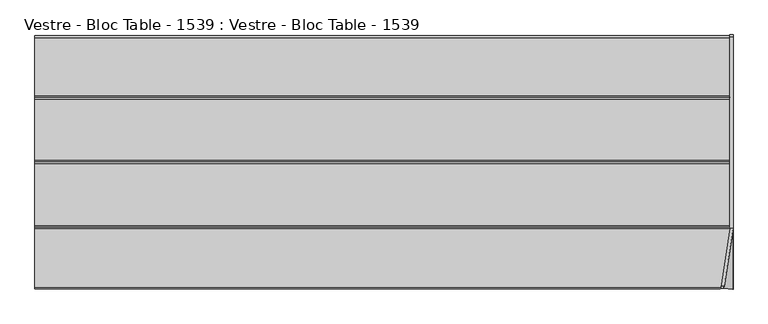
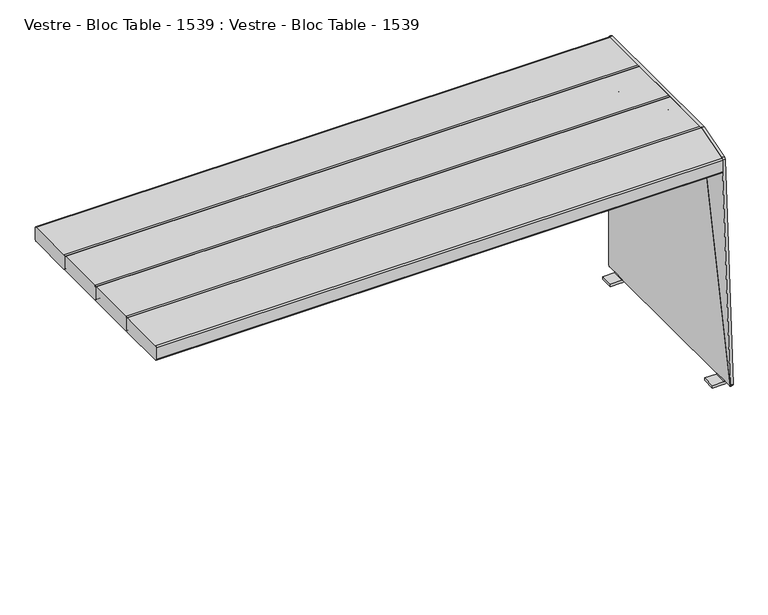
"""IFC4 building model written with IfcOpenShell, lengths in millimetres: furniture geometry, Vestre - Bloc Table - 1539 : Vestre - Bloc Table - 1539."""

from ifc_helpers import new_model, si_unit, point, frame, frame_2d, origin, place, context, project, spatial, polyline, circle_curve, ellipse_curve, trimmed, segment, composite_curve, outline, extrude, source, transform, mapped, element, save
from ifc_brep_helpers import plane_surface, cylinder_surface, revolved_surface, advanced_brep


def vestre_bloc_table_1539_vestre_bloc_table_1539_dd74254f(model_context):
    return source(origin(), model_context, "Body", "SolidModel", [
        extrude(outline(polyline([(20.5020914, -284.4050005), (-20.5020914, -284.4050005), (-20.5020914, 284.4050005), (20.5020914, 284.4050005), (20.5020914, -284.4050005)])), frame((0.0, 0.0, 689.0027779), z_axis=(0.0, 0.0, 1.0), x_axis=(1.0, 0.0, 0.0)), (0.0, 0.0, 1.0), 6.0),
        advanced_brep(
        [(-860.5, -165.5197755, 695.0027779), (-860.5, -311.0, 695.0027779), (-860.5, -315.0, 699.0027779), (-860.5, -315.0, 736.0027779), (-860.5, -311.0, 740.0027779), (-860.5, -165.47777, 740.0027779), (-860.5, -161.5197755, 736.0447834), (-860.5, -161.5197755, 699.0027779), (861.0694092, -161.5197755, 699.0027779), (860.44915, -165.5197755, 695.0027779), (861.0694092, -161.5197755, 736.0447834), (860.4556636, -165.47777, 740.0027779), (837.8902902, -311.0, 740.0027779), (837.2700311, -315.0, 736.0027779), (837.2700311, -315.0, 699.0027779), (837.8902902, -311.0, 695.0027779)],
        [
            (0, 1),
            (1, 2, circle_curve(frame((-860.5, -311.0, 699.0027779), z_axis=(-1.0, 0.0, 0.0), x_axis=(0.0, -1.0, 0.0)), 4.0)),
            (2, 3),
            (3, 4, circle_curve(frame((-860.5, -311.0, 736.0027779), z_axis=(-1.0, 0.0, 0.0), x_axis=(0.0, -1.0, 0.0)), 4.0)),
            (4, 5),
            (5, 6, circle_curve(frame((-860.5, -165.47777, 736.0447834), z_axis=(-1.0, 0.0, 0.0), x_axis=(0.0, -1.0, 0.0)), 3.9579945)),
            (6, 7),
            (7, 0, circle_curve(frame((-860.5, -165.5197755, 699.0027779), z_axis=(-1.0, 0.0, 0.0), x_axis=(0.0, -1.0, 0.0)), 4.0)),
            (7, 8),
            (8, 9, ellipse_curve(frame((860.44915, -165.5197755, 699.0027779), z_axis=(-0.9881900135788402, 0.15323347239768378, 0.0), x_axis=(0.15323347239768342, 0.9881900135788402, 0.0)), 4.0478045, 4.0)),
            (9, 0),
            (6, 10),
            (10, 8),
            (5, 11),
            (11, 10, ellipse_curve(frame((860.4556636, -165.47777, 736.0447834), z_axis=(-0.9881900135788402, 0.15323347239768378, 0.0), x_axis=(0.15323347239768342, 0.9881900135788402, 0.0)), 4.005297, 3.9579945)),
            (4, 12),
            (12, 11),
            (3, 13),
            (13, 12, ellipse_curve(frame((837.8902902, -311.0, 736.0027779), z_axis=(-0.9881900135788402, 0.15323347239768378, 0.0), x_axis=(0.15323347239768342, 0.9881900135788402, 0.0)), 4.0478045, 4.0)),
            (2, 14),
            (14, 13),
            (1, 15),
            (15, 14, ellipse_curve(frame((837.8902902, -311.0, 699.0027779), z_axis=(-0.9881900135788402, 0.15323347239768378, 0.0), x_axis=(0.15323347239768342, 0.9881900135788402, 0.0)), 4.0478045, 4.0)),
            (9, 15),
        ],
        [
            plane_surface(frame((-860.5, -169.5197755, 699.0027779), z_axis=(-1.0, 0.0, 0.0), x_axis=(0.0, 0.0, 1.0))),
            cylinder_surface(frame((-860.5, -165.5197755, 699.0027779), z_axis=(1.0, 0.0, 0.0), x_axis=(0.0, -1.0, 0.0)), 4.0),
            plane_surface(frame((885.920291, -161.5197755, 699.0027779), z_axis=(0.0, 1.0, 0.0), x_axis=(-1.0, 0.0, 0.0))),
            cylinder_surface(frame((-860.5, -165.47777, 736.0447834), z_axis=(1.0, 0.0, 0.0), x_axis=(0.0, -1.0, 0.0)), 3.9579945),
            plane_surface(frame((885.920291, -165.47777, 740.0027779), z_axis=(0.0, 0.0, 1.0), x_axis=(-1.0, 0.0, 0.0))),
            cylinder_surface(frame((-860.5, -311.0, 736.0027779), z_axis=(1.0, 0.0, 0.0), x_axis=(0.0, -1.0, 0.0)), 4.0),
            plane_surface(frame((885.920291, -315.0, 736.0027779), z_axis=(0.0, -1.0, 0.0), x_axis=(-1.0, 0.0, 0.0))),
            cylinder_surface(frame((-860.5, -311.0, 699.0027779), z_axis=(1.0, 0.0, 0.0), x_axis=(0.0, -1.0, 0.0)), 4.0),
            plane_surface(frame((885.920291, -311.0, 695.0027779), z_axis=(0.0, 0.0, -1.0), x_axis=(-1.0, 0.0, 0.0))),
            plane_surface(frame((885.106742, -6.5050005, 926.3186027), z_axis=(0.9881900135788402, -0.15323347239768378, 0.0), x_axis=(0.0, 0.0, -1.0))),
        ],
        [
            (0, [[1, 2, 3, 4, 5, 6, 7, 8]]),
            (1, [[-8, 9, 10, 11]]),
            (2, [[-7, 12, 13, -9]]),
            (3, [[-6, 14, 15, -12]]),
            (4, [[-5, 16, 17, -14]]),
            (5, [[-4, 18, 19, -16]]),
            (6, [[-3, 20, 21, -18]]),
            (7, [[-2, 22, 23, -20]]),
            (8, [[-1, -11, 24, -22]]),
            (9, [[-10, -13, -15, -17, -19, -21, -23, -24]]),
        ],
    ),
        extrude(outline(composite_curve([segment(polyline([(-4.0, -4.0), (-4.0, 142.5065702), (724.3734252, -7.1592021)]), True, "CONTINUOUS"), segment(trimmed(circle_curve(frame_2d((720.6931054, 0.4751026)), 8.4751025), [point((724.3734252, -7.1592021))], [point((720.6931054, -7.9999999))], False, "CARTESIAN"), True, "CONTINUOUS"), segment(polyline([(720.6931054, -7.9999999), (0.0, -8.0)]), True, "CONTINUOUS"), segment(trimmed(circle_curve(frame_2d((1e-07, -4.0)), 4.0), [point((0.0, -8.0))], [point((-4.0, -4.0))], False, "CARTESIAN"), True, "CONTINUOUS")], self_intersect=False)), frame((839.0093268, -304.6053434, 735.5079473), z_axis=(0.9876883405951369, -0.1532330209847901, 0.031486237188651775), x_axis=(0.03148623718865165, -0.0024273077148592374, -0.9995012381407826)), (0.0, 0.0, 1.0), 8.0),
        advanced_brep(
        [(822.0, -284.4050005, 695.0027779), (814.0, -284.4050005, 687.0027779), (814.0, -284.4050005, 682.0027779), (820.0, -284.4050005, 682.0027779), (820.0, -284.4050005, 687.0027779), (822.0, -284.4050005, 689.0027779), (842.0142381, -284.4050005, 689.0027779), (842.0142381, -284.4050005, 695.0027779), (822.0, 284.4050005, 689.0027779), (820.0, 284.4050005, 687.0027779), (820.0, 284.4050005, 682.0027779), (814.0, 284.4050005, 682.0027779), (814.0, 284.4050005, 687.0027779), (822.0, 284.4050005, 695.0027779), (860.0, 284.4050005, 695.0027779), (860.0, 284.4050005, 689.0027779), (860.0, -168.4163069, 695.0027779), (860.0, -168.4163069, 689.0027779), (814.0, 221.626226, 664.5853587), (814.0, 218.262862, 664.0027779), (814.0, -218.272863, 664.0027779), (814.0, -221.636227, 664.5853587), (820.0, -221.636227, 664.5853587), (820.0, -218.272863, 664.0027779), (820.0, 218.262862, 664.0027779), (820.0, 221.626226, 664.5853587)],
        [
            (0, 1, circle_curve(frame((822.0, -284.4050005, 687.0027779), z_axis=(0.0, -1.0, 0.0), x_axis=(-1.0, 0.0, 0.0)), 8.0)),
            (1, 2),
            (2, 3),
            (3, 4),
            (4, 5, circle_curve(frame((822.0, -284.4050005, 687.0027779), z_axis=(0.0, 1.0, 0.0), x_axis=(-1.0, 0.0, 0.0)), 2.0)),
            (5, 6),
            (6, 7),
            (7, 0),
            (8, 9, circle_curve(frame((822.0, 284.4050005, 687.0027779), z_axis=(0.0, -1.0, 0.0), x_axis=(-1.0, 0.0, 0.0)), 2.0)),
            (9, 10),
            (10, 11),
            (11, 12),
            (12, 13, circle_curve(frame((822.0, 284.4050005, 687.0027779), z_axis=(0.0, 1.0, 0.0), x_axis=(-1.0, 0.0, 0.0)), 8.0)),
            (13, 14),
            (14, 15),
            (15, 8),
            (4, 9),
            (8, 5),
            (0, 13),
            (12, 1),
            (7, 16),
            (16, 14),
            (16, 17),
            (17, 15),
            (17, 6),
            (11, 18),
            (18, 19, circle_curve(frame((814.0, 218.262862, 674.0027779), z_axis=(-1.0, 0.0, 0.0), x_axis=(0.0, -1.0, 0.0)), 10.0)),
            (19, 20),
            (20, 21, circle_curve(frame((814.0, -218.272863, 674.0027779), z_axis=(-1.0, 0.0, 0.0), x_axis=(0.0, -1.0, 0.0)), 10.0)),
            (21, 2),
            (3, 22),
            (22, 23, circle_curve(frame((820.0, -218.272863, 674.0027779), z_axis=(1.0, 0.0, 0.0), x_axis=(0.0, -1.0, 0.0)), 10.0)),
            (23, 24),
            (24, 25, circle_curve(frame((820.0, 218.262862, 674.0027779), z_axis=(1.0, 0.0, 0.0), x_axis=(0.0, -1.0, 0.0)), 10.0)),
            (25, 10),
            (21, 22),
            (20, 23),
            (19, 24),
            (18, 25),
        ],
        [
            plane_surface(frame((860.0, -284.4050005, 689.0027779), z_axis=(0.0, -1.0, 0.0), x_axis=(1.0, 0.0, 0.0))),
            plane_surface(frame((860.0, 284.4050005, 689.0027779), z_axis=(0.0, 1.0, 0.0), x_axis=(-1.0, 0.0, 0.0))),
            revolved_surface(polyline([(820.0, 284.4050005, 687.0027779), (820.0, -284.4050005, 687.0027779)]), (822.0, 284.4050005, 687.0027779), (0.0, 1.0, 0.0)),
            cylinder_surface(frame((822.0, 284.4050005, 687.0027779), z_axis=(0.0, -1.0, 0.0), x_axis=(-1.0, 0.0, 0.0)), 8.0),
            plane_surface(frame((860.0, -284.4050005, 695.0027779), z_axis=(0.0, 0.0, 1.0), x_axis=(0.0, 1.0, 0.0))),
            plane_surface(frame((860.0, -284.4050005, 689.0027779), z_axis=(1.0, 0.0, 0.0), x_axis=(0.0, 1.0, 0.0))),
            plane_surface(frame((822.0, -284.4050005, 689.0027779), z_axis=(0.0, 0.0, -1.0), x_axis=(0.0, 1.0, 0.0))),
            plane_surface(frame((814.0, -284.4050005, 687.0027779), z_axis=(-1.0, 0.0, 0.0), x_axis=(0.0, 0.0, 1.0))),
            plane_surface(frame((820.0, -284.4050005, 687.0027779), z_axis=(1.0, 0.0, 0.0), x_axis=(0.0, 0.0, -1.0))),
            plane_surface(frame((814.0, -221.636227, 664.5853587), z_axis=(0.0, -0.26738231551867175, -0.9635905236914036), x_axis=(1.0, 0.0, 0.0))),
            cylinder_surface(frame((820.0, -218.272863, 674.0027779), z_axis=(-1.0, 0.0, 0.0), x_axis=(0.0, -1.0, 0.0)), 10.0),
            plane_surface(frame((814.0, 218.262862, 664.0027779), z_axis=(0.0, 0.0, -1.0), x_axis=(1.0, 0.0, 0.0))),
            cylinder_surface(frame((820.0, 218.262862, 674.0027779), z_axis=(-1.0, 0.0, 0.0), x_axis=(0.0, -1.0, 0.0)), 10.0),
            plane_surface(frame((814.0, 284.4050005, 682.0027779), z_axis=(0.0, 0.2673427646759247, -0.9636014975992063), x_axis=(1.0, 0.0, 0.0))),
            plane_surface(frame((885.106742, -6.5050005, 926.3186027), z_axis=(0.9881900135788402, -0.15323347239768378, 0.0), x_axis=(0.0, 0.0, -1.0))),
        ],
        [
            (0, [[1, 2, 3, 4, 5, 6, 7, 8]]),
            (1, [[9, 10, 11, 12, 13, 14, 15, 16]]),
            (2, [[-5, 17, -9, 18]]),
            (3, [[-1, 19, -13, 20]]),
            (4, [[-14, -19, -8, 21, 22]]),
            (5, [[-15, -22, 23, 24]]),
            (6, [[-16, -24, 25, -6, -18]]),
            (7, [[-2, -20, -12, 26, 27, 28, 29, 30]]),
            (8, [[31, 32, 33, 34, 35, -10, -17, -4]]),
            (9, [[-30, 36, -31, -3]]),
            (10, [[-29, 37, -32, -36]]),
            (11, [[-28, 38, -33, -37]]),
            (12, [[-27, 39, -34, -38]]),
            (13, [[-26, -11, -35, -39]]),
            (14, [[-7, -25, -23, -21]]),
        ],
    ),
        advanced_brep(
        [(806.0, -284.4050005, 689.0027779), (808.0, -284.4050005, 687.0027779), (808.0, -284.4050005, 682.0027779), (814.0, -284.4050005, 682.0027779), (814.0, -284.4050005, 687.0027779), (806.0, -284.4050005, 695.0027779), (768.0, -284.4050005, 695.0027779), (768.0, -284.4050005, 689.0027779), (806.0, 284.4050005, 689.0027779), (768.0, 284.4050005, 689.0027779), (768.0, 284.4050005, 695.0027779), (806.0, 284.4050005, 695.0027779), (814.0, 284.4050005, 687.0027779), (814.0, 284.4050005, 682.0027779), (808.0, 284.4050005, 682.0027779), (808.0, 284.4050005, 687.0027779), (814.0, -221.636227, 664.5853587), (814.0, -218.272863, 664.0027779), (814.0, 218.262862, 664.0027779), (814.0, 221.626226, 664.5853587), (808.0, 221.626226, 664.5853587), (808.0, 218.262862, 664.0027779), (808.0, -218.272863, 664.0027779), (808.0, -221.636227, 664.5853587)],
        [
            (0, 1, circle_curve(frame((806.0, -284.4050005, 687.0027779), z_axis=(0.0, 1.0, 0.0), x_axis=(1.0, 0.0, 0.0)), 2.0)),
            (1, 2),
            (2, 3),
            (3, 4),
            (4, 5, circle_curve(frame((806.0, -284.4050005, 687.0027779), z_axis=(0.0, -1.0, 0.0), x_axis=(1.0, 0.0, 0.0)), 8.0)),
            (5, 6),
            (6, 7),
            (7, 0),
            (8, 9),
            (9, 10),
            (10, 11),
            (11, 12, circle_curve(frame((806.0, 284.4050005, 687.0027779), z_axis=(0.0, 1.0, 0.0), x_axis=(1.0, 0.0, 0.0)), 8.0)),
            (12, 13),
            (13, 14),
            (14, 15),
            (15, 8, circle_curve(frame((806.0, 284.4050005, 687.0027779), z_axis=(0.0, -1.0, 0.0), x_axis=(1.0, 0.0, 0.0)), 2.0)),
            (0, 8),
            (15, 1),
            (4, 12),
            (11, 5),
            (10, 6),
            (9, 7),
            (3, 16),
            (16, 17, circle_curve(frame((814.0, -218.272863, 674.0027779), z_axis=(1.0, 0.0, 0.0), x_axis=(0.0, -1.0, 0.0)), 10.0)),
            (17, 18),
            (18, 19, circle_curve(frame((814.0, 218.262862, 674.0027779), z_axis=(1.0, 0.0, 0.0), x_axis=(0.0, -1.0, 0.0)), 10.0)),
            (19, 13),
            (14, 20),
            (20, 21, circle_curve(frame((808.0, 218.262862, 674.0027779), z_axis=(-1.0, 0.0, 0.0), x_axis=(0.0, -1.0, 0.0)), 10.0)),
            (21, 22),
            (22, 23, circle_curve(frame((808.0, -218.272863, 674.0027779), z_axis=(-1.0, 0.0, 0.0), x_axis=(0.0, -1.0, 0.0)), 10.0)),
            (23, 2),
            (23, 16),
            (22, 17),
            (21, 18),
            (20, 19),
        ],
        [
            plane_surface(frame((808.0, -284.4050005, 687.0027779), z_axis=(0.0, -1.0, 0.0), x_axis=(0.0, 0.0, -1.0))),
            plane_surface(frame((808.0, 284.4050005, 687.0027779), z_axis=(0.0, 1.0, 0.0), x_axis=(0.0, 0.0, 1.0))),
            revolved_surface(polyline([(808.0, 284.4050005, 687.0027779), (808.0, -284.4050005, 687.0027779)]), (806.0, 284.4050005, 687.0027779), (0.0, 1.0, 0.0)),
            cylinder_surface(frame((806.0, 284.4050005, 687.0027779), z_axis=(0.0, -1.0, 0.0), x_axis=(1.0, 0.0, 0.0)), 8.0),
            plane_surface(frame((806.0, -284.4050005, 695.0027779), z_axis=(0.0, 0.0, 1.0), x_axis=(0.0, 1.0, 0.0))),
            plane_surface(frame((768.0, -284.4050005, 695.0027779), z_axis=(-1.0, 0.0, 0.0), x_axis=(0.0, 1.0, 0.0))),
            plane_surface(frame((768.0, -284.4050005, 689.0027779), z_axis=(0.0, 0.0, -1.0), x_axis=(0.0, 1.0, 0.0))),
            plane_surface(frame((814.0, -221.636227, 664.5853587), z_axis=(1.0, 0.0, 0.0), x_axis=(0.0, 0.9635905236914036, -0.26738231551867175))),
            plane_surface(frame((808.0, -221.636227, 664.5853587), z_axis=(-1.0, 0.0, 0.0), x_axis=(0.0, -0.9635905236914036, 0.26738231551867175))),
            plane_surface(frame((814.0, -284.4050005, 682.0027779), z_axis=(0.0, -0.26738231551867175, -0.9635905236914036), x_axis=(-1.0, 0.0, 0.0))),
            cylinder_surface(frame((808.0, -218.272863, 674.0027779), z_axis=(1.0, 0.0, 0.0), x_axis=(0.0, -1.0, 0.0)), 10.0),
            plane_surface(frame((814.0, -218.272863, 664.0027779), z_axis=(0.0, 0.0, -1.0), x_axis=(-1.0, 0.0, 0.0))),
            cylinder_surface(frame((808.0, 218.262862, 674.0027779), z_axis=(1.0, 0.0, 0.0), x_axis=(0.0, -1.0, 0.0)), 10.0),
            plane_surface(frame((814.0, 221.626226, 664.5853587), z_axis=(0.0, 0.2673427646759247, -0.9636014975992063), x_axis=(-1.0, 0.0, 0.0))),
        ],
        [
            (0, [[1, 2, 3, 4, 5, 6, 7, 8]]),
            (1, [[9, 10, 11, 12, 13, 14, 15, 16]]),
            (2, [[-1, 17, -16, 18]]),
            (3, [[-5, 19, -12, 20]]),
            (4, [[-6, -20, -11, 21]]),
            (5, [[-7, -21, -10, 22]]),
            (6, [[-8, -22, -9, -17]]),
            (7, [[23, 24, 25, 26, 27, -13, -19, -4]]),
            (8, [[-2, -18, -15, 28, 29, 30, 31, 32]]),
            (9, [[-23, -3, -32, 33]]),
            (10, [[-24, -33, -31, 34]]),
            (11, [[-25, -34, -30, 35]]),
            (12, [[-26, -35, -29, 36]]),
            (13, [[-27, -36, -28, -14]]),
        ],
    ),
        advanced_brep(
        [(824.181415, -285.0, 0.0), (858.5, -285.0, 0.0), (868.5, -285.0, 10.0), (860.5, -285.0, 10.0), (858.5, -285.0, 8.0), (824.181415, -285.0, 8.0), (824.181415, -245.0, 0.0), (824.181415, -245.0, 8.0), (858.5, -245.0, 8.0), (860.5, -245.0, 10.0), (868.5, -245.0, 10.0), (858.5, -245.0, 0.0), (824.181415, 285.0, 0.0), (824.181415, 285.0, 8.0), (858.5, 285.0, 8.0), (860.5, 285.0, 10.0), (868.5, 285.0, 10.0), (858.5, 285.0, 0.0), (824.181415, 245.0, 0.0), (858.5, 245.0, 0.0), (868.5, 245.0, 10.0), (860.5, 245.0, 10.0), (858.5, 245.0, 8.0), (824.181415, 245.0, 8.0), (868.5, -165.0, 740.0), (868.5, -314.6452505, 11.7264477), (868.5, -311.3305667, 10.0), (868.5, 311.0, 10.0), (868.5, 315.0, 14.0), (868.5, 315.0, 736.0), (868.5, 311.0, 740.0), (860.5, -165.0, 740.0), (860.5, 311.0, 740.0), (860.5, 315.0, 736.0), (860.5, 315.0, 14.0), (860.5, 311.0, 10.0), (860.5, -311.3305667, 10.0), (860.5, -314.6452505, 11.7264477)],
        [
            (0, 1),
            (1, 2, circle_curve(frame((858.5, -285.0, 10.0), z_axis=(0.0, -1.0, 0.0), x_axis=(-1.0, 0.0, 0.0)), 10.0)),
            (2, 3),
            (3, 4, circle_curve(frame((858.5, -285.0, 10.0), z_axis=(0.0, 1.0, 0.0), x_axis=(-1.0, 0.0, 0.0)), 2.0)),
            (4, 5),
            (5, 0),
            (6, 7),
            (7, 8),
            (8, 9, circle_curve(frame((858.5, -245.0, 10.0), z_axis=(0.0, -1.0, 0.0), x_axis=(-1.0, 0.0, 0.0)), 2.0)),
            (9, 10),
            (10, 11, circle_curve(frame((858.5, -245.0, 10.0), z_axis=(0.0, 1.0, 0.0), x_axis=(-1.0, 0.0, 0.0)), 10.0)),
            (11, 6),
            (5, 7),
            (6, 0),
            (4, 8),
            (11, 1),
            (3, 9),
            (10, 2),
            (12, 13),
            (13, 14),
            (14, 15, circle_curve(frame((858.5, 285.0, 10.0), z_axis=(0.0, -1.0, 0.0), x_axis=(-1.0, 0.0, 0.0)), 2.0)),
            (15, 16),
            (16, 17, circle_curve(frame((858.5, 285.0, 10.0), z_axis=(0.0, 1.0, 0.0), x_axis=(-1.0, 0.0, 0.0)), 10.0)),
            (17, 12),
            (18, 19),
            (19, 20, circle_curve(frame((858.5, 245.0, 10.0), z_axis=(0.0, -1.0, 0.0), x_axis=(-1.0, 0.0, 0.0)), 10.0)),
            (20, 21),
            (21, 22, circle_curve(frame((858.5, 245.0, 10.0), z_axis=(0.0, 1.0, 0.0), x_axis=(-1.0, 0.0, 0.0)), 2.0)),
            (22, 23),
            (23, 18),
            (12, 18),
            (23, 13),
            (22, 14),
            (17, 19),
            (21, 15),
            (16, 20),
            (24, 25),
            (25, 26, circle_curve(frame((868.5, -311.3305667, 14.0452283), z_axis=(1.0, 0.0, 0.0), x_axis=(0.0, 1.0, 0.0)), 4.0452283)),
            (26, 2),
            (10, 20),
            (16, 27),
            (27, 28, circle_curve(frame((868.5, 311.0, 14.0), z_axis=(1.0, 0.0, 0.0), x_axis=(0.0, 1.0, 0.0)), 4.0)),
            (28, 29),
            (29, 30, circle_curve(frame((868.5, 311.0, 736.0), z_axis=(1.0, 0.0, 0.0), x_axis=(0.0, 1.0, 0.0)), 4.0)),
            (30, 24),
            (31, 32),
            (32, 33, circle_curve(frame((860.5, 311.0, 736.0), z_axis=(-1.0, 0.0, 0.0), x_axis=(0.0, 1.0, 0.0)), 4.0)),
            (33, 34),
            (34, 35, circle_curve(frame((860.5, 311.0, 14.0), z_axis=(-1.0, 0.0, 0.0), x_axis=(0.0, 1.0, 0.0)), 4.0)),
            (35, 15),
            (21, 9),
            (3, 36),
            (36, 37, circle_curve(frame((860.5, -311.3305667, 14.0452283), z_axis=(-1.0, 0.0, 0.0), x_axis=(0.0, 1.0, 0.0)), 4.0452283)),
            (37, 31),
            (24, 31),
            (37, 25),
            (36, 26),
            (35, 27),
            (34, 28),
            (33, 29),
            (32, 30),
        ],
        [
            plane_surface(frame((858.5, -285.0, 0.0), z_axis=(0.0, -1.0, 0.0), x_axis=(1.0, 0.0, 0.0))),
            plane_surface(frame((858.5, -245.0, 0.0), z_axis=(0.0, 1.0, 0.0), x_axis=(-1.0, 0.0, 0.0))),
            plane_surface(frame((824.181415, -285.0, 8.0), z_axis=(-1.0, 0.0, 0.0), x_axis=(0.0, 1.0, 0.0))),
            plane_surface(frame((858.5, -285.0, 8.0), z_axis=(0.0, 0.0, 1.0), x_axis=(0.0, 1.0, 0.0))),
            plane_surface(frame((824.181415, -285.0, 0.0), z_axis=(0.0, 0.0, -1.0), x_axis=(0.0, 1.0, 0.0))),
            revolved_surface(polyline([(856.5, -245.0, 10.0), (856.5, -285.0, 10.0)]), (858.5, -245.0, 10.0), (0.0, 1.0, 0.0)),
            cylinder_surface(frame((858.5, -245.0, 10.0), z_axis=(0.0, -1.0, 0.0), x_axis=(-1.0, 0.0, 0.0)), 10.0),
            plane_surface(frame((824.181415, 285.0, 0.0), z_axis=(0.0, 1.0, 0.0), x_axis=(0.0, 0.0, 1.0))),
            plane_surface(frame((824.181415, 245.0, 0.0), z_axis=(0.0, -1.0, 0.0), x_axis=(0.0, 0.0, -1.0))),
            plane_surface(frame((824.181415, 285.0, 0.0), z_axis=(-1.0, 0.0, 0.0), x_axis=(0.0, -1.0, 0.0))),
            plane_surface(frame((824.181415, 285.0, 8.0), z_axis=(0.0, 0.0, 1.0), x_axis=(0.0, -1.0, 0.0))),
            plane_surface(frame((858.5, 285.0, 0.0), z_axis=(0.0, 0.0, -1.0), x_axis=(0.0, -1.0, 0.0))),
            revolved_surface(polyline([(856.5, 245.0, 10.0), (856.5, 285.0, 10.0)]), (858.5, 245.0, 10.0), (0.0, -1.0, 0.0)),
            cylinder_surface(frame((858.5, 245.0, 10.0), z_axis=(0.0, 1.0, 0.0), x_axis=(-1.0, 0.0, 0.0)), 10.0),
            plane_surface(frame((868.5, -314.3240748, 13.2895027), z_axis=(1.0000000000000002, 0.0, 0.0), x_axis=(0.0, -0.20127429834973676, -0.9795349186342575))),
            plane_surface(frame((860.5, -314.3240748, 13.2895027), z_axis=(-1.0000000000000002, 0.0, 0.0), x_axis=(0.0, 0.20127429834973676, 0.9795349186342575))),
            plane_surface(frame((868.5, -165.0, 740.0), z_axis=(0.0, -0.9795349186342575, 0.20127429834973676), x_axis=(-1.0, 0.0, 0.0))),
            cylinder_surface(frame((860.5, -311.3305667, 14.0452283), z_axis=(1.0, 0.0, 0.0), x_axis=(0.0, 1.0, 0.0)), 4.0452283),
            plane_surface(frame((868.5, -311.3305667, 10.0), z_axis=(0.0, 0.0, -1.0), x_axis=(-1.0, 0.0, 0.0))),
            cylinder_surface(frame((860.5, 311.0, 14.0), z_axis=(1.0, 0.0, 0.0), x_axis=(0.0, 1.0, 0.0)), 4.0),
            plane_surface(frame((868.5, 315.0, 14.0), z_axis=(0.0, 1.0, 0.0), x_axis=(-1.0, 0.0, 0.0))),
            cylinder_surface(frame((860.5, 311.0, 736.0), z_axis=(1.0, 0.0, 0.0), x_axis=(0.0, 1.0, 0.0)), 4.0),
            plane_surface(frame((868.5, 311.0, 740.0), z_axis=(0.0, 0.0, 1.0), x_axis=(-1.0, 0.0, 0.0))),
        ],
        [
            (0, [[1, 2, 3, 4, 5, 6]]),
            (1, [[7, 8, 9, 10, 11, 12]]),
            (2, [[-6, 13, -7, 14]]),
            (3, [[-5, 15, -8, -13]]),
            (4, [[-1, -14, -12, 16]]),
            (5, [[-4, 17, -9, -15]]),
            (6, [[-2, -16, -11, 18]]),
            (7, [[19, 20, 21, 22, 23, 24]]),
            (8, [[25, 26, 27, 28, 29, 30]]),
            (9, [[-19, 31, -30, 32]]),
            (10, [[-20, -32, -29, 33]]),
            (11, [[-24, 34, -25, -31]]),
            (12, [[-21, -33, -28, 35]]),
            (13, [[-23, 36, -26, -34]]),
            (14, [[37, 38, 39, -18, 40, -36, 41, 42, 43, 44, 45]]),
            (15, [[46, 47, 48, 49, 50, -35, 51, -17, 52, 53, 54]]),
            (16, [[-37, 55, -54, 56]]),
            (17, [[-38, -56, -53, 57]]),
            (18, [[-40, -10, -51, -27]]),
            (18, [[-57, -52, -3, -39]]),
            (18, [[58, -41, -22, -50]]),
            (19, [[-42, -58, -49, 59]]),
            (20, [[-43, -59, -48, 60]]),
            (21, [[-44, -60, -47, 61]]),
            (22, [[-45, -61, -46, -55]]),
        ],
    ),
        extrude(outline(composite_curve([segment(polyline([(308.4275882, 695.0027779), (164.0, 695.0027779)]), True, "CONTINUOUS"), segment(trimmed(circle_curve(frame_2d((164.0, 699.0027779)), 4.0), [point((164.0, 695.0027779))], [point((160.0, 699.0027779))], False, "CARTESIAN"), True, "CONTINUOUS"), segment(polyline([(160.0, 699.0027779), (160.0, 736.0027779)]), True, "CONTINUOUS"), segment(trimmed(circle_curve(frame_2d((164.0, 736.0027779)), 4.0), [point((160.0, 736.0027779))], [point((164.0, 740.0027779))], False, "CARTESIAN"), True, "CONTINUOUS"), segment(polyline([(164.0, 740.0027779), (308.4695937, 740.0027779)]), True, "CONTINUOUS"), segment(trimmed(circle_curve(frame_2d((308.4695937, 736.0447834)), 3.9579945), [point((308.4695937, 740.0027779))], [point((312.4275882, 736.0447834))], False, "CARTESIAN"), True, "CONTINUOUS"), segment(polyline([(312.4275882, 736.0447834), (312.4275882, 699.0027779)]), True, "CONTINUOUS"), segment(trimmed(circle_curve(frame_2d((308.4275882, 699.0027779)), 4.0), [point((312.4275882, 699.0027779))], [point((308.4275882, 695.0027779))], False, "CARTESIAN"), True, "CONTINUOUS")], self_intersect=False)), frame((-860.5, 0.0, 0.0), z_axis=(1.0, 0.0, 0.0), x_axis=(0.0, 1.0, 0.0)), (0.0, 0.0, 1.0), 1721.0),
        extrude(outline(composite_curve([segment(polyline([(156.0, 695.0027779), (4.0, 695.0027779)]), True, "CONTINUOUS"), segment(trimmed(circle_curve(frame_2d((4.0, 699.0027779)), 4.0), [point((4.0, 695.0027779))], [point((0.0, 699.0027779))], False, "CARTESIAN"), True, "CONTINUOUS"), segment(polyline([(0.0, 699.0027779), (0.0, 736.0027779)]), True, "CONTINUOUS"), segment(trimmed(circle_curve(frame_2d((4.0, 736.0027779)), 4.0), [point((0.0, 736.0027779))], [point((4.0, 740.0027779))], False, "CARTESIAN"), True, "CONTINUOUS"), segment(polyline([(4.0, 740.0027779), (156.0420055, 740.0027779)]), True, "CONTINUOUS"), segment(trimmed(circle_curve(frame_2d((156.0420055, 736.0447834)), 3.9579945), [point((156.0420055, 740.0027779))], [point((160.0, 736.0447834))], False, "CARTESIAN"), True, "CONTINUOUS"), segment(polyline([(160.0, 736.0447834), (160.0, 699.0027779)]), True, "CONTINUOUS"), segment(trimmed(circle_curve(frame_2d((156.0, 699.0027779)), 4.0), [point((160.0, 699.0027779))], [point((156.0, 695.0027779))], False, "CARTESIAN"), True, "CONTINUOUS")], self_intersect=False)), frame((-860.5, 0.0, 0.0), z_axis=(1.0, 0.0, 0.0), x_axis=(0.0, 1.0, 0.0)), (0.0, 0.0, 1.0), 1721.0),
        extrude(outline(composite_curve([segment(polyline([(-4.0, 695.0027779), (-157.5197755, 695.0027779)]), True, "CONTINUOUS"), segment(trimmed(circle_curve(frame_2d((-157.5197755, 699.0027779)), 4.0), [point((-157.5197755, 695.0027779))], [point((-161.5197755, 699.0027779))], False, "CARTESIAN"), True, "CONTINUOUS"), segment(polyline([(-161.5197755, 699.0027779), (-161.5197755, 736.0027779)]), True, "CONTINUOUS"), segment(trimmed(circle_curve(frame_2d((-157.5197755, 736.0027779)), 4.0), [point((-161.5197755, 736.0027779))], [point((-157.5197755, 740.0027779))], False, "CARTESIAN"), True, "CONTINUOUS"), segment(polyline([(-157.5197755, 740.0027779), (-3.9579945, 740.0027779)]), True, "CONTINUOUS"), segment(trimmed(circle_curve(frame_2d((-3.9579945, 736.0447834)), 3.9579945), [point((-3.9579945, 740.0027779))], [point((0.0, 736.0447834))], False, "CARTESIAN"), True, "CONTINUOUS"), segment(polyline([(0.0, 736.0447834), (0.0, 699.0027779)]), True, "CONTINUOUS"), segment(trimmed(circle_curve(frame_2d((-4.0, 699.0027779)), 4.0), [point((0.0, 699.0027779))], [point((-4.0, 695.0027779))], False, "CARTESIAN"), True, "CONTINUOUS")], self_intersect=False)), frame((-860.5, 0.0, 0.0), z_axis=(1.0, 0.0, 0.0), x_axis=(0.0, 1.0, 0.0)), (0.0, 0.0, 1.0), 1721.0),
        advanced_brep(
        [(-806.0, -284.4050005, 689.0027779), (-768.0, -284.4050005, 689.0027779), (-768.0, -284.4050005, 695.0027779), (-806.0, -284.4050005, 695.0027779), (-814.0, -284.4050005, 687.0027779), (-814.0, -284.4050005, 682.0027779), (-808.0, -284.4050005, 682.0027779), (-808.0, -284.4050005, 687.0027779), (-806.0, 284.4050005, 689.0027779), (-808.0, 284.4050005, 687.0027779), (-808.0, 284.4050005, 682.0027779), (-814.0, 284.4050005, 682.0027779), (-814.0, 284.4050005, 687.0027779), (-806.0, 284.4050005, 695.0027779), (-768.0, 284.4050005, 695.0027779), (-768.0, 284.4050005, 689.0027779), (-814.0, 221.626226, 664.5853587), (-814.0, 218.262862, 664.0027779), (-814.0, -218.272863, 664.0027779), (-814.0, -221.636227, 664.5853587), (-808.0, -221.636227, 664.5853587), (-808.0, -218.272863, 664.0027779), (-808.0, 218.262862, 664.0027779), (-808.0, 221.626226, 664.5853587)],
        [
            (0, 1),
            (1, 2),
            (2, 3),
            (3, 4, circle_curve(frame((-806.0, -284.4050005, 687.0027779), z_axis=(0.0, -1.0, 0.0), x_axis=(-1.0, 0.0, 0.0)), 8.0)),
            (4, 5),
            (5, 6),
            (6, 7),
            (7, 0, circle_curve(frame((-806.0, -284.4050005, 687.0027779), z_axis=(0.0, 1.0, 0.0), x_axis=(-1.0, 0.0, 0.0)), 2.0)),
            (8, 9, circle_curve(frame((-806.0, 284.4050005, 687.0027779), z_axis=(0.0, -1.0, 0.0), x_axis=(-1.0, 0.0, 0.0)), 2.0)),
            (9, 10),
            (10, 11),
            (11, 12),
            (12, 13, circle_curve(frame((-806.0, 284.4050005, 687.0027779), z_axis=(0.0, 1.0, 0.0), x_axis=(-1.0, 0.0, 0.0)), 8.0)),
            (13, 14),
            (14, 15),
            (15, 8),
            (7, 9),
            (8, 0),
            (3, 13),
            (12, 4),
            (2, 14),
            (1, 15),
            (11, 16),
            (16, 17, circle_curve(frame((-814.0, 218.262862, 674.0027779), z_axis=(-1.0, 0.0, 0.0), x_axis=(0.0, -1.0, 0.0)), 10.0)),
            (17, 18),
            (18, 19, circle_curve(frame((-814.0, -218.272863, 674.0027779), z_axis=(-1.0, 0.0, 0.0), x_axis=(0.0, -1.0, 0.0)), 10.0)),
            (19, 5),
            (6, 20),
            (20, 21, circle_curve(frame((-808.0, -218.272863, 674.0027779), z_axis=(1.0, 0.0, 0.0), x_axis=(0.0, -1.0, 0.0)), 10.0)),
            (21, 22),
            (22, 23, circle_curve(frame((-808.0, 218.262862, 674.0027779), z_axis=(1.0, 0.0, 0.0), x_axis=(0.0, -1.0, 0.0)), 10.0)),
            (23, 10),
            (19, 20),
            (18, 21),
            (17, 22),
            (16, 23),
        ],
        [
            plane_surface(frame((-768.0, -284.4050005, 689.0027779), z_axis=(0.0, -1.0, 0.0), x_axis=(1.0, 0.0, 0.0))),
            plane_surface(frame((-768.0, 284.4050005, 689.0027779), z_axis=(0.0, 1.0, 0.0), x_axis=(-1.0, 0.0, 0.0))),
            revolved_surface(polyline([(-808.0, 284.4050005, 687.0027779), (-808.0, -284.4050005, 687.0027779)]), (-806.0, 284.4050005, 687.0027779), (0.0, 1.0, 0.0)),
            cylinder_surface(frame((-806.0, 284.4050005, 687.0027779), z_axis=(0.0, -1.0, 0.0), x_axis=(-1.0, 0.0, 0.0)), 8.0),
            plane_surface(frame((-768.0, -284.4050005, 695.0027779), z_axis=(0.0, 0.0, 1.0), x_axis=(0.0, 1.0, 0.0))),
            plane_surface(frame((-768.0, -284.4050005, 689.0027779), z_axis=(1.0, 0.0, 0.0), x_axis=(0.0, 1.0, 0.0))),
            plane_surface(frame((-806.0, -284.4050005, 689.0027779), z_axis=(0.0, 0.0, -1.0), x_axis=(0.0, 1.0, 0.0))),
            plane_surface(frame((-814.0, -284.4050005, 687.0027779), z_axis=(-1.0, 0.0, 0.0), x_axis=(0.0, 0.0, 1.0))),
            plane_surface(frame((-808.0, -284.4050005, 687.0027779), z_axis=(1.0, 0.0, 0.0), x_axis=(0.0, 0.0, -1.0))),
            plane_surface(frame((-814.0, -221.636227, 664.5853587), z_axis=(0.0, -0.26738231551867175, -0.9635905236914036), x_axis=(1.0, 0.0, 0.0))),
            cylinder_surface(frame((-808.0, -218.272863, 674.0027779), z_axis=(-1.0, 0.0, 0.0), x_axis=(0.0, -1.0, 0.0)), 10.0),
            plane_surface(frame((-814.0, 218.262862, 664.0027779), z_axis=(0.0, 0.0, -1.0), x_axis=(1.0, 0.0, 0.0))),
            cylinder_surface(frame((-808.0, 218.262862, 674.0027779), z_axis=(-1.0, 0.0, 0.0), x_axis=(0.0, -1.0, 0.0)), 10.0),
            plane_surface(frame((-814.0, 284.4050005, 682.0027779), z_axis=(0.0, 0.2673427646759247, -0.9636014975992063), x_axis=(1.0, 0.0, 0.0))),
        ],
        [
            (0, [[1, 2, 3, 4, 5, 6, 7, 8]]),
            (1, [[9, 10, 11, 12, 13, 14, 15, 16]]),
            (2, [[-8, 17, -9, 18]]),
            (3, [[-4, 19, -13, 20]]),
            (4, [[-3, 21, -14, -19]]),
            (5, [[-2, 22, -15, -21]]),
            (6, [[-1, -18, -16, -22]]),
            (7, [[-5, -20, -12, 23, 24, 25, 26, 27]]),
            (8, [[28, 29, 30, 31, 32, -10, -17, -7]]),
            (9, [[-27, 33, -28, -6]]),
            (10, [[-26, 34, -29, -33]]),
            (11, [[-25, 35, -30, -34]]),
            (12, [[-24, 36, -31, -35]]),
            (13, [[-23, -11, -32, -36]]),
        ],
    ),
        extrude(outline(composite_curve([segment(trimmed(circle_curve(frame_2d((170.0050005, 687.0027779)), 2.0), [point((168.0050005, 687.0027779))], [point((170.0050005, 689.0027779))], False, "CARTESIAN"), True, "CONTINUOUS"), segment(polyline([(170.0050005, 689.0027779), (206.0050005, 689.0027779)]), True, "CONTINUOUS"), segment(trimmed(circle_curve(frame_2d((206.0050005, 687.0027779)), 2.0), [point((206.0050005, 689.0027779))], [point((208.0050005, 687.0027779))], False, "CARTESIAN"), True, "CONTINUOUS"), segment(polyline([(208.0050005, 687.0027779), (208.0050005, 671.0027779)]), True, "CONTINUOUS"), segment(trimmed(circle_curve(frame_2d((206.0050005, 671.0027779)), 2.0), [point((208.0050005, 671.0027779))], [point((206.0050005, 669.0027779))], False, "CARTESIAN"), True, "CONTINUOUS"), segment(polyline([(206.0050005, 669.0027779), (170.0050005, 669.0027779)]), True, "CONTINUOUS"), segment(trimmed(circle_curve(frame_2d((170.0050005, 671.0027779)), 2.0), [point((170.0050005, 669.0027779))], [point((168.0050005, 671.0027779))], False, "CARTESIAN"), True, "CONTINUOUS"), segment(polyline([(168.0050005, 671.0027779), (168.0050005, 687.0027779)]), True, "CONTINUOUS")], self_intersect=False)), frame((-808.0, 0.0, 0.0), z_axis=(1.0, 0.0, 0.0), x_axis=(0.0, 1.0, 0.0)), (0.0, 0.0, 1.0), 1616.0),
        extrude(outline(composite_curve([segment(polyline([(-168.0050005, 687.0027779), (-168.0050005, 671.0027779)]), True, "CONTINUOUS"), segment(trimmed(circle_curve(frame_2d((-170.0050005, 671.0027779)), 2.0), [point((-168.0050005, 671.0027779))], [point((-170.0050005, 669.0027779))], False, "CARTESIAN"), True, "CONTINUOUS"), segment(polyline([(-170.0050005, 669.0027779), (-206.0050005, 669.0027779)]), True, "CONTINUOUS"), segment(trimmed(circle_curve(frame_2d((-206.0050005, 671.0027779)), 2.0), [point((-206.0050005, 669.0027779))], [point((-208.0050005, 671.0027779))], False, "CARTESIAN"), True, "CONTINUOUS"), segment(polyline([(-208.0050005, 671.0027779), (-208.0050005, 687.0027779)]), True, "CONTINUOUS"), segment(trimmed(circle_curve(frame_2d((-206.0050005, 687.0027779)), 2.0), [point((-208.0050005, 687.0027779))], [point((-206.0050005, 689.0027779))], False, "CARTESIAN"), True, "CONTINUOUS"), segment(polyline([(-206.0050005, 689.0027779), (-170.0050005, 689.0027779)]), True, "CONTINUOUS"), segment(trimmed(circle_curve(frame_2d((-170.0050005, 687.0027779)), 2.0), [point((-170.0050005, 689.0027779))], [point((-168.0050005, 687.0027779))], False, "CARTESIAN"), True, "CONTINUOUS")], self_intersect=False)), frame((-808.0, 0.0, 0.0), z_axis=(1.0, 0.0, 0.0), x_axis=(0.0, 1.0, 0.0)), (0.0, 0.0, 1.0), 1616.0),
    ])


if __name__ == "__main__":
    model = new_model("IFC4")
    model_context = context("Model", 3, world=origin())
    ifc_project = project(units=[si_unit("LENGTHUNIT", "METRE", prefix="MILLI")], contexts=[model_context])
    site = spatial("IfcSite", under=ifc_project)
    building = spatial("IfcBuilding", under=site)
    placement = place(None, origin())
    vestre_bloc_table_1539_vestre_bloc_table_1539_shape = vestre_bloc_table_1539_vestre_bloc_table_1539_dd74254f(model_context)
    element("IfcFurniture", 1, ObjectType="Vestre - Bloc Table - 1539 : Vestre - Bloc Table - 1539", at=placement, inside=building, context=model_context, shape_type="MappedRepresentation", body=[
        mapped(vestre_bloc_table_1539_vestre_bloc_table_1539_shape, transform((0.0, 0.0, 0.0), x_axis=(1.0, 0.0, 0.0), y_axis=(0.0, 1.0, 0.0), z_axis=(0.0, 0.0, 1.0))),
    ])
    save(model, "model.ifc")
